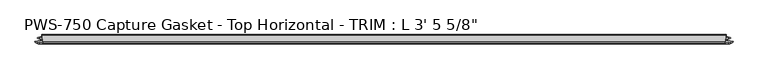
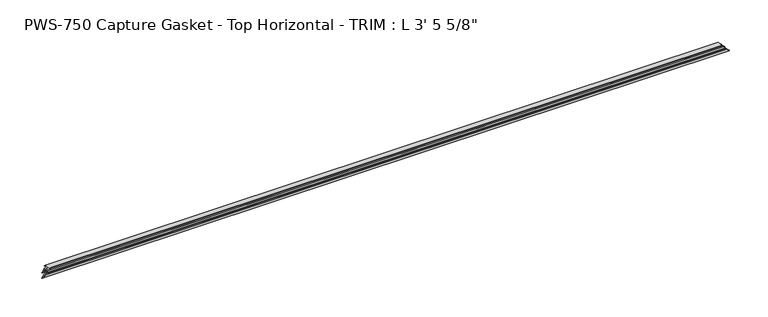
"""IFC4 building model written with IfcOpenShell, lengths in millimetres: proxy geometry."""

import ifcopenshell
import ifcopenshell.guid

model = None  # the IFC model being written
_history = None  # IfcOwnerHistory: only IFC2X3 demands one
_inside = {}  # id of a spatial element -> (the spatial element, [elements in it])
_under = {}  # id of a project, library or spatial element -> (it, [spatial elements below it])
_declared = {}  # id of a project -> (the project, [libraries it declares])
_typed = {}  # id of a type object -> (the type object, [elements of that type])
_made_of = {}  # id of a material, layer set ... -> (it, [elements and type objects made of it])


def new_model(schema):
    """Start an empty IFC model of exactly this schema.

    Asked for "IFC4X3", IfcOpenShell would pick the latest addendum, in which some entities
    have other attributes; the version numbers below select the first issue.
    IFC2X3 requires an IfcOwnerHistory on every rooted entity: one is made here for all.
    """
    global model, _history
    if schema == "IFC4X3":
        model = ifcopenshell.file(schema_version=(4, 3, 0, 0))
    else:
        model = ifcopenshell.file(schema=schema)
    _inside.clear()
    _under.clear()
    _declared.clear()
    _typed.clear()
    _made_of.clear()
    _history = None
    if model.schema == "IFC2X3":
        org = make("IfcOrganization", Name="unknown")
        user = make(
            "IfcPersonAndOrganization",
            ThePerson=make("IfcPerson", FamilyName="unknown"),
            TheOrganization=org,
        )
        app = make(
            "IfcApplication",
            ApplicationDeveloper=org,
            Version="unknown",
            ApplicationFullName="unknown",
            ApplicationIdentifier="unknown",
        )
        _history = make(
            "IfcOwnerHistory",
            OwningUser=user,
            OwningApplication=app,
            ChangeAction="ADDED",
            CreationDate=0,
        )
    return model


def make(cls, **values):
    """One entity of the class cls with the attributes given. An attribute that is None is left unset."""
    return model.create_entity(
        cls, **{name: value for name, value in values.items() if value is not None}
    )


def rooted(cls, **values):
    """An entity with a GlobalId (a new one), such as an element, a storey or a relation."""
    return make(cls, GlobalId=ifcopenshell.guid.new(), OwnerHistory=_history, **values)


def si_unit(unit_type, name, prefix=None):
    """IfcSIUnit, for example si_unit("LENGTHUNIT", "METRE", prefix="MILLI")."""
    return make("IfcSIUnit", UnitType=unit_type, Prefix=prefix, Name=name)


def assignment(units):
    """IfcUnitAssignment: the units of a project."""
    return None if units is None else make("IfcUnitAssignment", Units=units)


def point(xyz):
    """IfcCartesianPoint."""
    return None if xyz is None else make("IfcCartesianPoint", Coordinates=xyz)


def direction(xyz):
    """IfcDirection."""
    return None if xyz is None else make("IfcDirection", DirectionRatios=xyz)


def frame(location, z_axis=None, x_axis=None):
    """IfcAxis2Placement3D, a coordinate frame: its origin and axes. An axis left out is left unset."""
    return make(
        "IfcAxis2Placement3D",
        Location=point(location),
        Axis=direction(z_axis),
        RefDirection=direction(x_axis),
    )


def origin():
    """The frame at (0, 0, 0) with its axes left unset."""
    return frame((0.0, 0.0, 0.0))


def place(relative_to, where):
    """IfcLocalPlacement: puts the frame where relative to a parent placement (None: the world)."""
    return make(
        "IfcLocalPlacement", PlacementRelTo=relative_to, RelativePlacement=where
    )


def context(
    kind, dimensions, precision=None, world=None, true_north=None, identifier=None
):
    """IfcGeometricRepresentationContext, for example the 3D "Model" context."""
    return make(
        "IfcGeometricRepresentationContext",
        ContextIdentifier=identifier,
        ContextType=kind,
        CoordinateSpaceDimension=dimensions,
        Precision=precision,
        WorldCoordinateSystem=world,
        TrueNorth=true_north,
    )


def project(units=None, contexts=None):
    """IfcProject with its units and contexts."""
    return rooted(
        "IfcProject",
        Name="project",
        RepresentationContexts=contexts,
        UnitsInContext=assignment(units),
    )


def spatial(cls, under=None, at=None, **own):
    """A site, building, storey or space (cls), placed at a placement, below another one or the project."""
    s = rooted(cls, ObjectPlacement=at, **own)
    if under is not None:
        _under.setdefault(under.id(), (under, []))[1].append(s)
    return s


def faces_of(points, faces, orient=None, outer=None):
    """IfcFace entities. A face is a list of loops; a loop is a list of indices into points, from 0.

    orient and outer hold one flag for each loop. By default every Orientation is true, the
    first loop of a face is its IfcFaceOuterBound and the others are IfcFaceBound.
    """
    made = []
    for i, loops in enumerate(faces):
        bounds = []
        for j, loop in enumerate(loops):
            is_outer = j == 0 if outer is None else outer[i][j]
            bounds.append(
                make(
                    "IfcFaceOuterBound" if is_outer else "IfcFaceBound",
                    Bound=make("IfcPolyLoop", Polygon=[points[k] for k in loop]),
                    Orientation=True if orient is None else orient[i][j],
                )
            )
        made.append(make("IfcFace", Bounds=bounds))
    return made


def faceted_brep(points, faces, orient=None, outer=None, voids=None):
    """IfcFacetedBrep: a solid bounded by flat faces; with voids (closed shells), ...WithVoids."""
    shared = [point(p) for p in points]
    hull = make("IfcClosedShell", CfsFaces=faces_of(shared, faces, orient, outer))
    if voids is None:
        return make("IfcFacetedBrep", Outer=hull)
    return make(
        "IfcFacetedBrepWithVoids",
        Outer=hull,
        Voids=[
            make(cls, CfsFaces=faces_of(shared, fs, o, b)) for cls, fs, o, b in voids
        ],
    )


def shape(context_of_items, identifier, shape_type, items):
    """IfcShapeRepresentation: the items that make up one representation, for example the "Body"."""
    return make(
        "IfcShapeRepresentation",
        ContextOfItems=context_of_items,
        RepresentationIdentifier=identifier,
        RepresentationType=shape_type,
        Items=items,
    )


def source(mapping_origin, context_of_items, identifier, shape_type, items):
    """IfcRepresentationMap: a shape defined once, which mapped items show again and again."""
    return make(
        "IfcRepresentationMap",
        MappingOrigin=mapping_origin,
        MappedRepresentation=shape(context_of_items, identifier, shape_type, items),
    )


def transform(
    local_origin,
    x_axis=None,
    y_axis=None,
    z_axis=None,
    scale=None,
    scale2=None,
    scale3=None,
    uniform=True,
):
    """IfcCartesianTransformationOperator3D, or its non-uniform kind. x_axis, y_axis, z_axis: its Axis1, 2, 3."""
    if uniform:
        return make(
            "IfcCartesianTransformationOperator3D",
            Axis1=direction(x_axis),
            Axis2=direction(y_axis),
            LocalOrigin=point(local_origin),
            Scale=scale,
            Axis3=direction(z_axis),
        )
    return make(
        "IfcCartesianTransformationOperator3DnonUniform",
        Axis1=direction(x_axis),
        Axis2=direction(y_axis),
        LocalOrigin=point(local_origin),
        Scale=scale,
        Axis3=direction(z_axis),
        Scale2=scale2,
        Scale3=scale3,
    )


def mapped(mapping_source, mapping_target):
    """IfcMappedItem: shows the shape of a source again, moved by a transform."""
    return make(
        "IfcMappedItem", MappingSource=mapping_source, MappingTarget=mapping_target
    )


def made_of(thing, what):
    """Note that an element or type object is made of a material, layer set ...; save() writes the relation."""
    if what is not None:
        _made_of.setdefault(what.id(), (what, []))[1].append(thing)
    return thing


def element(
    cls,
    number,
    at=None,
    inside=None,
    cuts=None,
    type_object=None,
    material=None,
    context=None,
    identifier="Body",
    shape_type=None,
    held_by="IfcProductDefinitionShape",
    body=None,
    shapes=None,
    **own,
):
    """One element of the class cls, such as IfcWall. Its Tag is "e" and its number.

    at: its placement. inside: the storey or other place that contains it. cuts: it is an
    opening in that element (IfcRelVoidsElement). A single representation is given by context,
    identifier, shape_type and body (its items); several are given by shapes. held_by: the class
    of the entity that holds the representations. save() writes the other relations.
    """
    e = rooted(cls, Tag="e%d" % number, ObjectPlacement=at, **own)
    if body is not None:
        shapes = [shape(context, identifier, shape_type, body)]
    if shapes is not None:
        e.Representation = make(held_by, Representations=shapes)
    if inside is not None:
        _inside.setdefault(inside.id(), (inside, []))[1].append(e)
    if cuts is not None:
        rooted(
            "IfcRelVoidsElement", RelatingBuildingElement=cuts, RelatedOpeningElement=e
        )
    if type_object is not None:
        _typed.setdefault(type_object.id(), (type_object, []))[1].append(e)
    return made_of(e, material)


def aggregate(whole, parts):
    """IfcRelAggregates: a whole, such as a stair, and the parts it consists of."""
    return rooted("IfcRelAggregates", RelatingObject=whole, RelatedObjects=parts)


def save(model, path):
    """Write the relations noted so far, then the file.

    IfcRelAggregates (storeys below a building ...), IfcRelContainedInSpatialStructure (elements
    in a storey), IfcRelDefinesByType, IfcRelAssociatesMaterial and IfcRelDeclares: one each for
    every whole, place, type object, material and project.
    """
    for whole, parts in _under.values():
        aggregate(whole, parts)
    for where, things in _inside.values():
        rooted(
            "IfcRelContainedInSpatialStructure",
            RelatedElements=things,
            RelatingStructure=where,
        )
    for kind, things in _typed.values():
        rooted("IfcRelDefinesByType", RelatedObjects=things, RelatingType=kind)
    for what, things in _made_of.values():
        rooted("IfcRelAssociatesMaterial", RelatedObjects=things, RelatingMaterial=what)
    for by, libraries in _declared.values():
        rooted("IfcRelDeclares", RelatingContext=by, RelatedDefinitions=libraries)
    model.write(path)


def proxy_4b09b75e(model_context):
    return source(origin(), model_context, "Body", "Brep", [
        faceted_brep([(1046.6938313, -3.1126161, 10.5811687), (1047.2424402, -3.8999328, 10.0325598), (10.0325598, -3.8999328, 10.0325598), (10.5811687, -3.1126161, 10.5811687), (1050.357689, -4.2700002, 6.917311), (6.917311, -4.2700002, 6.917311), (1049.0583734, -3.1803976, 8.2166266), (8.2166266, -3.1803976, 8.2166266), (1053.003083, -4.5858484, 4.271917), (4.271917, -4.5858484, 4.271917), (1053.5924402, -5.3411219, 3.6825598), (3.6825598, -5.3411219, 3.6825598), (1052.9662816, -6.061435, 4.3087184), (4.3087184, -6.061435, 4.3087184), (1049.0583734, -7.4537739, 8.2166266), (8.2166266, -7.4537739, 8.2166266), (1050.357689, -6.3641713, 6.917311), (6.917311, -6.3641713, 6.917311), (1047.2424402, -6.7342387, 10.0325598), (10.0325598, -6.7342387, 10.0325598), (1047.2424402, -9.5788982, 10.0325598), (10.0325598, -9.5788982, 10.0325598), (1052.829337, -9.5788982, 4.445663), (4.445663, -9.5788982, 4.445663), (0.032506, -10.6641492, 0.032506), (1057.242494, -10.6641492, 0.032506), (1056.9652855, -11.6592287, 0.3097145), (0.3097145, -11.6592287, 0.3097145), (1051.8632274, -14.0291241, 5.4117726), (5.4117726, -14.0291241, 5.4117726), (1053.9192689, -11.9730826, 3.3557311), (3.3557311, -11.9730826, 3.3557311), (1051.7524938, -11.9730826, 5.5225062), (5.5225062, -11.9730826, 5.5225062), (1048.7825285, -14.0291241, 8.4924715), (8.4924715, -14.0291241, 8.4924715), (1050.625564, -11.7844518, 6.649436), (6.649436, -11.7844518, 6.649436), (1047.5205806, -12.0846322, 9.7544194), (9.7544194, -12.0846322, 9.7544194), (1043.2848236, -14.4184849, 13.9901764), (13.9901764, -14.4184849, 13.9901764), (1042.9196734, -13.6397632, 14.3553266), (14.3553266, -13.6397632, 14.3553266), (1045.4717509, -11.0876857, 11.8032491), (11.8032491, -11.0876857, 11.8032491), (1045.8173303, -1.3581987, 11.4576697), (11.4576697, -1.3581987, 11.4576697), (1047.175529, 0.0, 10.099471), (10.099471, 0.0, 10.099471), (1047.175529, -1.1075685, 10.099471), (10.099471, -1.1075685, 10.099471)], [[[0, 1, 2, 3]], [[1, 4, 5, 2]], [[4, 6, 7, 5]], [[6, 8, 9, 7]], [[8, 10, 11, 9]], [[10, 12, 13, 11]], [[12, 14, 15, 13]], [[14, 16, 17, 15]], [[16, 18, 19, 17]], [[18, 20, 21, 19]], [[20, 22, 23, 21]], [[24, 23, 22, 25]], [[25, 26, 27, 24]], [[26, 28, 29, 27]], [[28, 30, 31, 29]], [[30, 32, 33, 31]], [[32, 34, 35, 33]], [[34, 36, 37, 35]], [[36, 38, 39, 37]], [[38, 40, 41, 39]], [[40, 42, 43, 41]], [[42, 44, 45, 43]], [[44, 46, 47, 45]], [[46, 48, 49, 47]], [[48, 50, 51, 49]], [[3, 51, 50, 0]], [[2, 5, 7, 9, 11, 13, 15, 17, 19, 21, 23, 24, 27, 29, 31, 33, 35, 37, 39, 41, 43, 45, 47, 49, 51, 3]], [[0, 50, 48, 46, 44, 42, 40, 38, 36, 34, 32, 30, 28, 26, 25, 22, 20, 18, 16, 14, 12, 10, 8, 6, 4, 1]]]),
    ])


if __name__ == "__main__":
    model = new_model("IFC4")
    model_context = context("Model", 3, world=origin())
    ifc_project = project(units=[si_unit("LENGTHUNIT", "METRE", prefix="MILLI")], contexts=[model_context])
    site = spatial("IfcSite", under=ifc_project)
    building = spatial("IfcBuilding", under=site)
    placement = place(None, origin())
    proxy_shape = proxy_4b09b75e(model_context)
    element("IfcBuildingElementProxy", 1, Name="PWS-750 Capture Gasket - Top Horizontal - TRIM : L 3' 5 5/8\"", ObjectType="PWS-750 Capture Gasket - Top Horizontal - TRIM : L 3' 5 5/8\"", at=placement, inside=building, context=model_context, shape_type="MappedRepresentation", body=[
        mapped(proxy_shape, transform((0.0, 0.0, 0.0), x_axis=(1.0, 0.0, 0.0), y_axis=(0.0, 1.0, 0.0), z_axis=(0.0, 0.0, 1.0))),
    ])
    save(model, "model.ifc")
